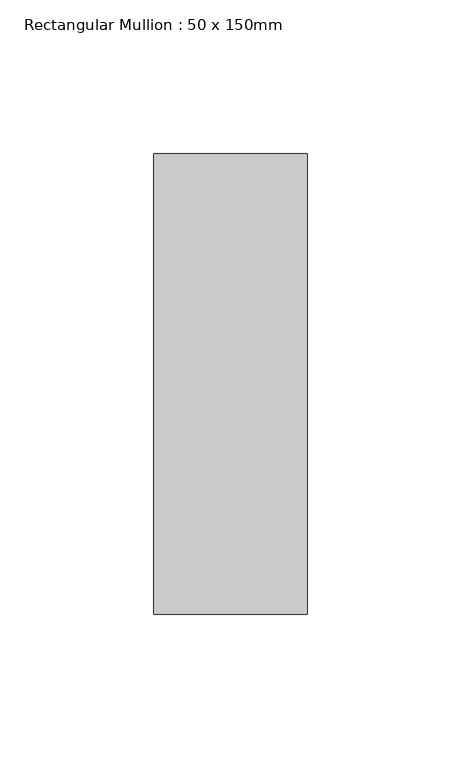
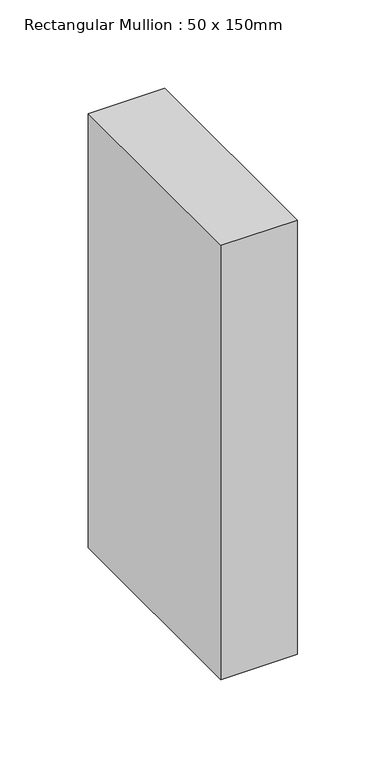
"""IFC4 building model written with IfcOpenShell, lengths in millimetres: member geometry, Rectangular Mullion : 50 x 150mm."""

from ifc_helpers import new_model, si_unit, frame, origin, place, context, project, spatial, polyline, outline, extrude, source, transform, mapped, element, save


def rectangular_mullion_50_x_150mm_37e7df91(model_context):
    return source(origin(), model_context, "Body", "SweptSolid", [
        extrude(outline(polyline([(25.0, 75.0), (25.0, -75.0), (-25.0, -75.0), (-25.0, 75.0), (25.0, 75.0)])), frame((0.0, 0.0, -300.0), z_axis=(0.0, 0.0, 1.0), x_axis=(1.0, 0.0, 0.0)), (0.0, 0.0, 1.0), 300.0),
    ])


if __name__ == "__main__":
    model = new_model("IFC4")
    model_context = context("Model", 3, world=origin())
    ifc_project = project(units=[si_unit("LENGTHUNIT", "METRE", prefix="MILLI")], contexts=[model_context])
    site = spatial("IfcSite", under=ifc_project)
    building = spatial("IfcBuilding", under=site)
    placement = place(None, origin())
    rectangular_mullion_50_x_150mm_shape = rectangular_mullion_50_x_150mm_37e7df91(model_context)
    element("IfcMember", 1, ObjectType="Rectangular Mullion : 50 x 150mm", at=placement, inside=building, context=model_context, shape_type="MappedRepresentation", body=[
        mapped(rectangular_mullion_50_x_150mm_shape, transform((0.0, 0.0, 0.0), x_axis=(1.0, 0.0, 0.0), y_axis=(0.0, 1.0, 0.0), z_axis=(0.0, 0.0, 1.0))),
    ])
    save(model, "model.ifc")
